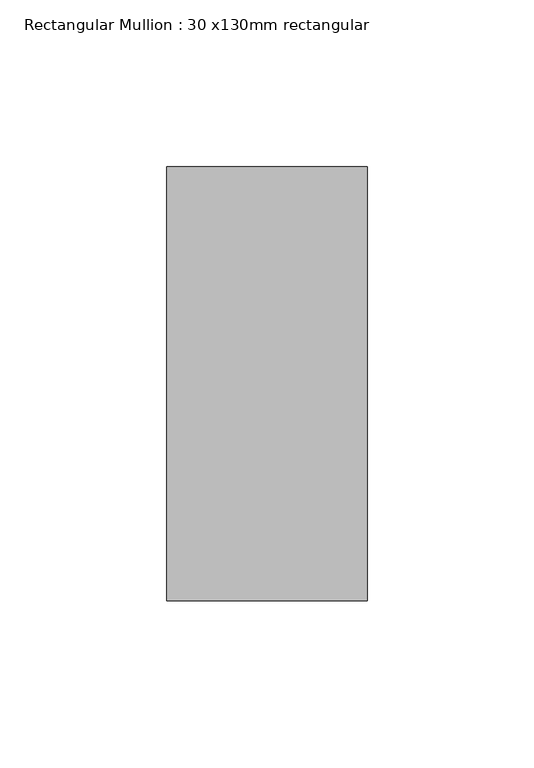
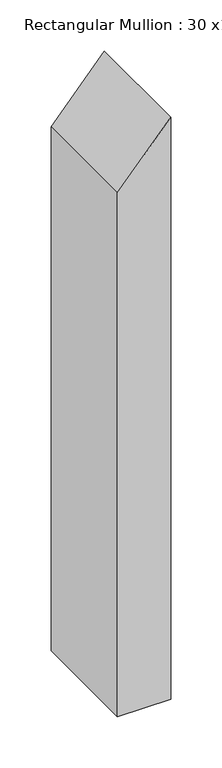
"""IFC4 building model written with IfcOpenShell, lengths in millimetres: member geometry, Rectangular Mullion : 30 x130mm rectangular."""

from ifc_helpers import new_model, si_unit, frame, origin, place, context, project, spatial, polyline, outline, extrude, source, transform, mapped, element, save


def rectangular_mullion_30_x130mm_rectangular_156e01ce(model_context):
    return source(origin(), model_context, "Body", "SweptSolid", [
        extrude(outline(polyline([(-57.0104977, 30.0), (-126.2925301, -30.0), (-752.8282978, -30.0), (-752.8282978, 30.0), (-57.0104977, 30.0)])), frame((0.0, -65.0, 0.0), z_axis=(0.0, 1.0, 0.0), x_axis=(0.0, 0.0, 1.0)), (0.0, 0.0, 1.0), 130.0),
    ])


if __name__ == "__main__":
    model = new_model("IFC4")
    model_context = context("Model", 3, world=origin())
    ifc_project = project(units=[si_unit("LENGTHUNIT", "METRE", prefix="MILLI")], contexts=[model_context])
    site = spatial("IfcSite", under=ifc_project)
    building = spatial("IfcBuilding", under=site)
    placement = place(None, origin())
    rectangular_mullion_30_x130mm_rectangular_shape = rectangular_mullion_30_x130mm_rectangular_156e01ce(model_context)
    element("IfcMember", 1, ObjectType="Rectangular Mullion : 30 x130mm rectangular", at=placement, inside=building, context=model_context, shape_type="MappedRepresentation", body=[
        mapped(rectangular_mullion_30_x130mm_rectangular_shape, transform((0.0, 0.0, 0.0), x_axis=(1.0, 0.0, 0.0), y_axis=(0.0, 1.0, 0.0), z_axis=(0.0, 0.0, 1.0))),
    ])
    save(model, "model.ifc")
